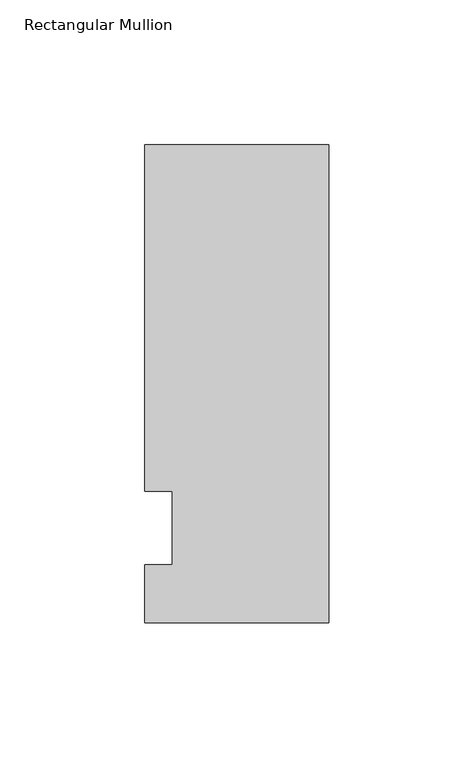
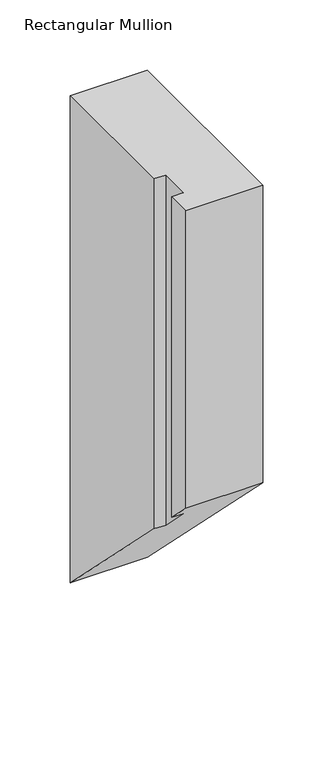
"""IFC4 building model written with IfcOpenShell, lengths in millimetres: member geometry, Rectangular Mullion."""

import ifcopenshell
import ifcopenshell.guid

model = None  # the IFC model being written
_history = None  # IfcOwnerHistory: only IFC2X3 demands one
_inside = {}  # id of a spatial element -> (the spatial element, [elements in it])
_under = {}  # id of a project, library or spatial element -> (it, [spatial elements below it])
_declared = {}  # id of a project -> (the project, [libraries it declares])
_typed = {}  # id of a type object -> (the type object, [elements of that type])
_made_of = {}  # id of a material, layer set ... -> (it, [elements and type objects made of it])


def new_model(schema):
    """Start an empty IFC model of exactly this schema.

    Asked for "IFC4X3", IfcOpenShell would pick the latest addendum, in which some entities
    have other attributes; the version numbers below select the first issue.
    IFC2X3 requires an IfcOwnerHistory on every rooted entity: one is made here for all.
    """
    global model, _history
    if schema == "IFC4X3":
        model = ifcopenshell.file(schema_version=(4, 3, 0, 0))
    else:
        model = ifcopenshell.file(schema=schema)
    _inside.clear()
    _under.clear()
    _declared.clear()
    _typed.clear()
    _made_of.clear()
    _history = None
    if model.schema == "IFC2X3":
        org = make("IfcOrganization", Name="unknown")
        user = make(
            "IfcPersonAndOrganization",
            ThePerson=make("IfcPerson", FamilyName="unknown"),
            TheOrganization=org,
        )
        app = make(
            "IfcApplication",
            ApplicationDeveloper=org,
            Version="unknown",
            ApplicationFullName="unknown",
            ApplicationIdentifier="unknown",
        )
        _history = make(
            "IfcOwnerHistory",
            OwningUser=user,
            OwningApplication=app,
            ChangeAction="ADDED",
            CreationDate=0,
        )
    return model


def make(cls, **values):
    """One entity of the class cls with the attributes given. An attribute that is None is left unset."""
    return model.create_entity(
        cls, **{name: value for name, value in values.items() if value is not None}
    )


def rooted(cls, **values):
    """An entity with a GlobalId (a new one), such as an element, a storey or a relation."""
    return make(cls, GlobalId=ifcopenshell.guid.new(), OwnerHistory=_history, **values)


def si_unit(unit_type, name, prefix=None):
    """IfcSIUnit, for example si_unit("LENGTHUNIT", "METRE", prefix="MILLI")."""
    return make("IfcSIUnit", UnitType=unit_type, Prefix=prefix, Name=name)


def assignment(units):
    """IfcUnitAssignment: the units of a project."""
    return None if units is None else make("IfcUnitAssignment", Units=units)


def point(xyz):
    """IfcCartesianPoint."""
    return None if xyz is None else make("IfcCartesianPoint", Coordinates=xyz)


def direction(xyz):
    """IfcDirection."""
    return None if xyz is None else make("IfcDirection", DirectionRatios=xyz)


def frame(location, z_axis=None, x_axis=None):
    """IfcAxis2Placement3D, a coordinate frame: its origin and axes. An axis left out is left unset."""
    return make(
        "IfcAxis2Placement3D",
        Location=point(location),
        Axis=direction(z_axis),
        RefDirection=direction(x_axis),
    )


def origin():
    """The frame at (0, 0, 0) with its axes left unset."""
    return frame((0.0, 0.0, 0.0))


def place(relative_to, where):
    """IfcLocalPlacement: puts the frame where relative to a parent placement (None: the world)."""
    return make(
        "IfcLocalPlacement", PlacementRelTo=relative_to, RelativePlacement=where
    )


def context(
    kind, dimensions, precision=None, world=None, true_north=None, identifier=None
):
    """IfcGeometricRepresentationContext, for example the 3D "Model" context."""
    return make(
        "IfcGeometricRepresentationContext",
        ContextIdentifier=identifier,
        ContextType=kind,
        CoordinateSpaceDimension=dimensions,
        Precision=precision,
        WorldCoordinateSystem=world,
        TrueNorth=true_north,
    )


def project(units=None, contexts=None):
    """IfcProject with its units and contexts."""
    return rooted(
        "IfcProject",
        Name="project",
        RepresentationContexts=contexts,
        UnitsInContext=assignment(units),
    )


def spatial(cls, under=None, at=None, **own):
    """A site, building, storey or space (cls), placed at a placement, below another one or the project."""
    s = rooted(cls, ObjectPlacement=at, **own)
    if under is not None:
        _under.setdefault(under.id(), (under, []))[1].append(s)
    return s


def faces_of(points, faces, orient=None, outer=None):
    """IfcFace entities. A face is a list of loops; a loop is a list of indices into points, from 0.

    orient and outer hold one flag for each loop. By default every Orientation is true, the
    first loop of a face is its IfcFaceOuterBound and the others are IfcFaceBound.
    """
    made = []
    for i, loops in enumerate(faces):
        bounds = []
        for j, loop in enumerate(loops):
            is_outer = j == 0 if outer is None else outer[i][j]
            bounds.append(
                make(
                    "IfcFaceOuterBound" if is_outer else "IfcFaceBound",
                    Bound=make("IfcPolyLoop", Polygon=[points[k] for k in loop]),
                    Orientation=True if orient is None else orient[i][j],
                )
            )
        made.append(make("IfcFace", Bounds=bounds))
    return made


def faceted_brep(points, faces, orient=None, outer=None, voids=None):
    """IfcFacetedBrep: a solid bounded by flat faces; with voids (closed shells), ...WithVoids."""
    shared = [point(p) for p in points]
    hull = make("IfcClosedShell", CfsFaces=faces_of(shared, faces, orient, outer))
    if voids is None:
        return make("IfcFacetedBrep", Outer=hull)
    return make(
        "IfcFacetedBrepWithVoids",
        Outer=hull,
        Voids=[
            make(cls, CfsFaces=faces_of(shared, fs, o, b)) for cls, fs, o, b in voids
        ],
    )


def shape(context_of_items, identifier, shape_type, items):
    """IfcShapeRepresentation: the items that make up one representation, for example the "Body"."""
    return make(
        "IfcShapeRepresentation",
        ContextOfItems=context_of_items,
        RepresentationIdentifier=identifier,
        RepresentationType=shape_type,
        Items=items,
    )


def source(mapping_origin, context_of_items, identifier, shape_type, items):
    """IfcRepresentationMap: a shape defined once, which mapped items show again and again."""
    return make(
        "IfcRepresentationMap",
        MappingOrigin=mapping_origin,
        MappedRepresentation=shape(context_of_items, identifier, shape_type, items),
    )


def transform(
    local_origin,
    x_axis=None,
    y_axis=None,
    z_axis=None,
    scale=None,
    scale2=None,
    scale3=None,
    uniform=True,
):
    """IfcCartesianTransformationOperator3D, or its non-uniform kind. x_axis, y_axis, z_axis: its Axis1, 2, 3."""
    if uniform:
        return make(
            "IfcCartesianTransformationOperator3D",
            Axis1=direction(x_axis),
            Axis2=direction(y_axis),
            LocalOrigin=point(local_origin),
            Scale=scale,
            Axis3=direction(z_axis),
        )
    return make(
        "IfcCartesianTransformationOperator3DnonUniform",
        Axis1=direction(x_axis),
        Axis2=direction(y_axis),
        LocalOrigin=point(local_origin),
        Scale=scale,
        Axis3=direction(z_axis),
        Scale2=scale2,
        Scale3=scale3,
    )


def mapped(mapping_source, mapping_target):
    """IfcMappedItem: shows the shape of a source again, moved by a transform."""
    return make(
        "IfcMappedItem", MappingSource=mapping_source, MappingTarget=mapping_target
    )


def made_of(thing, what):
    """Note that an element or type object is made of a material, layer set ...; save() writes the relation."""
    if what is not None:
        _made_of.setdefault(what.id(), (what, []))[1].append(thing)
    return thing


def element(
    cls,
    number,
    at=None,
    inside=None,
    cuts=None,
    type_object=None,
    material=None,
    context=None,
    identifier="Body",
    shape_type=None,
    held_by="IfcProductDefinitionShape",
    body=None,
    shapes=None,
    **own,
):
    """One element of the class cls, such as IfcWall. Its Tag is "e" and its number.

    at: its placement. inside: the storey or other place that contains it. cuts: it is an
    opening in that element (IfcRelVoidsElement). A single representation is given by context,
    identifier, shape_type and body (its items); several are given by shapes. held_by: the class
    of the entity that holds the representations. save() writes the other relations.
    """
    e = rooted(cls, Tag="e%d" % number, ObjectPlacement=at, **own)
    if body is not None:
        shapes = [shape(context, identifier, shape_type, body)]
    if shapes is not None:
        e.Representation = make(held_by, Representations=shapes)
    if inside is not None:
        _inside.setdefault(inside.id(), (inside, []))[1].append(e)
    if cuts is not None:
        rooted(
            "IfcRelVoidsElement", RelatingBuildingElement=cuts, RelatedOpeningElement=e
        )
    if type_object is not None:
        _typed.setdefault(type_object.id(), (type_object, []))[1].append(e)
    return made_of(e, material)


def aggregate(whole, parts):
    """IfcRelAggregates: a whole, such as a stair, and the parts it consists of."""
    return rooted("IfcRelAggregates", RelatingObject=whole, RelatedObjects=parts)


def save(model, path):
    """Write the relations noted so far, then the file.

    IfcRelAggregates (storeys below a building ...), IfcRelContainedInSpatialStructure (elements
    in a storey), IfcRelDefinesByType, IfcRelAssociatesMaterial and IfcRelDeclares: one each for
    every whole, place, type object, material and project.
    """
    for whole, parts in _under.values():
        aggregate(whole, parts)
    for where, things in _inside.values():
        rooted(
            "IfcRelContainedInSpatialStructure",
            RelatedElements=things,
            RelatingStructure=where,
        )
    for kind, things in _typed.values():
        rooted("IfcRelDefinesByType", RelatedObjects=things, RelatingType=kind)
    for what, things in _made_of.values():
        rooted("IfcRelAssociatesMaterial", RelatedObjects=things, RelatingMaterial=what)
    for by, libraries in _declared.values():
        rooted("IfcRelDeclares", RelatingContext=by, RelatedDefinitions=libraries)
    model.write(path)


def rectangular_mullion_fe0eba9e(model_context):
    return source(origin(), model_context, "Body", "Brep", [
        faceted_brep([(0.0, -20.0421875, 0.0), (-63.5, -20.0421875, 0.0), (-63.5, -20.0421875, -259.3578125), (0.0, -20.0421875, -259.3578125), (0.0, 145.0578125, 0.0), (0.0, 145.0578125, -424.4578125), (-63.5, 145.0578125, 0.0), (-63.5, 145.0578125, -424.4578125), (-63.5, 25.4, 0.0), (-63.5, 25.4, -304.8), (-53.975, 25.4, 0.0), (-53.975, 25.4, -304.8), (-53.975, 0.0, 0.0), (-53.975, 0.0, -279.4), (-63.5, 0.0, 0.0), (-63.5, 0.0, -279.4)], [[[0, 1, 2, 3]], [[4, 0, 3, 5]], [[6, 4, 5, 7]], [[8, 6, 7, 9]], [[10, 8, 9, 11]], [[12, 10, 11, 13]], [[14, 12, 13, 15]], [[1, 14, 15, 2]], [[1, 0, 4, 6, 8, 10, 12, 14]], [[2, 15, 13, 11, 9, 7, 5, 3]]]),
    ])


if __name__ == "__main__":
    model = new_model("IFC4")
    model_context = context("Model", 3, world=origin())
    ifc_project = project(units=[si_unit("LENGTHUNIT", "METRE", prefix="MILLI")], contexts=[model_context])
    site = spatial("IfcSite", under=ifc_project)
    building = spatial("IfcBuilding", under=site)
    placement = place(None, origin())
    rectangular_mullion_shape = rectangular_mullion_fe0eba9e(model_context)
    element("IfcMember", 1, ObjectType="Rectangular Mullion", at=placement, inside=building, context=model_context, shape_type="MappedRepresentation", body=[
        mapped(rectangular_mullion_shape, transform((0.0, 0.0, 0.0), x_axis=(1.0, 0.0, 0.0), y_axis=(0.0, 1.0, 0.0), z_axis=(0.0, 0.0, 1.0))),
    ])
    save(model, "model.ifc")
